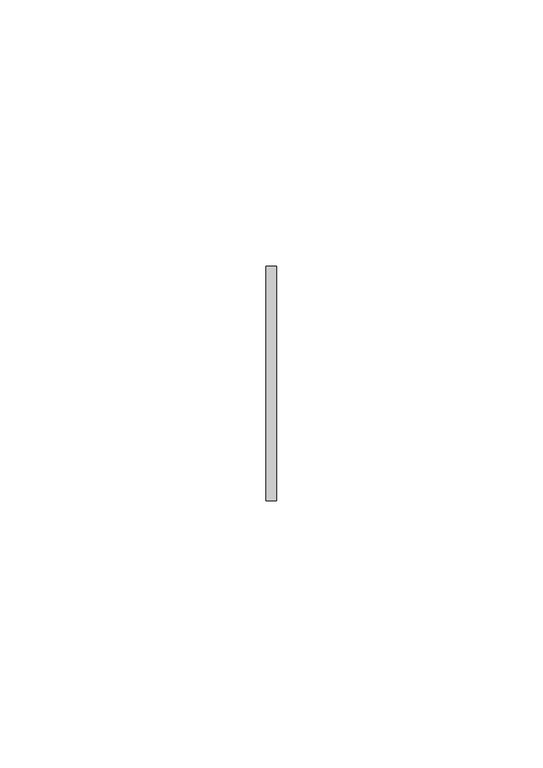
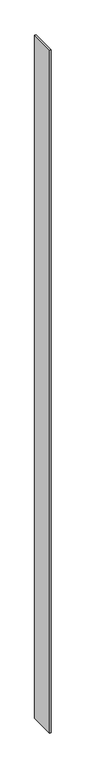
"""IFC4 building model written with IfcOpenShell, lengths in millimetres: member geometry."""

from ifc_helpers import new_model, si_unit, frame, origin, place, context, project, spatial, polyline, outline, extrude, source, transform, mapped, element, save


def member_9ea17a02(model_context):
    return source(origin(), model_context, "Body", "SweptSolid", [
        extrude(outline(polyline([(1.0, 22.0), (1.0, -22.0), (-1.0, -22.0), (-1.0, 22.0), (1.0, 22.0)])), frame((0.0, 0.0, -1220.0), z_axis=(0.0, 0.0, 1.0), x_axis=(1.0, 0.0, 0.0)), (0.0, 0.0, 1.0), 1220.0),
    ])


if __name__ == "__main__":
    model = new_model("IFC4")
    model_context = context("Model", 3, world=origin())
    ifc_project = project(units=[si_unit("LENGTHUNIT", "METRE", prefix="MILLI")], contexts=[model_context])
    site = spatial("IfcSite", under=ifc_project)
    building = spatial("IfcBuilding", under=site)
    placement = place(None, origin())
    member_shape = member_9ea17a02(model_context)
    element("IfcMember", 1, at=placement, inside=building, context=model_context, shape_type="MappedRepresentation", body=[
        mapped(member_shape, transform((0.0, 0.0, 0.0), x_axis=(1.0, 0.0, 0.0), y_axis=(0.0, 1.0, 0.0), z_axis=(0.0, 0.0, 1.0))),
    ])
    save(model, "model.ifc")
